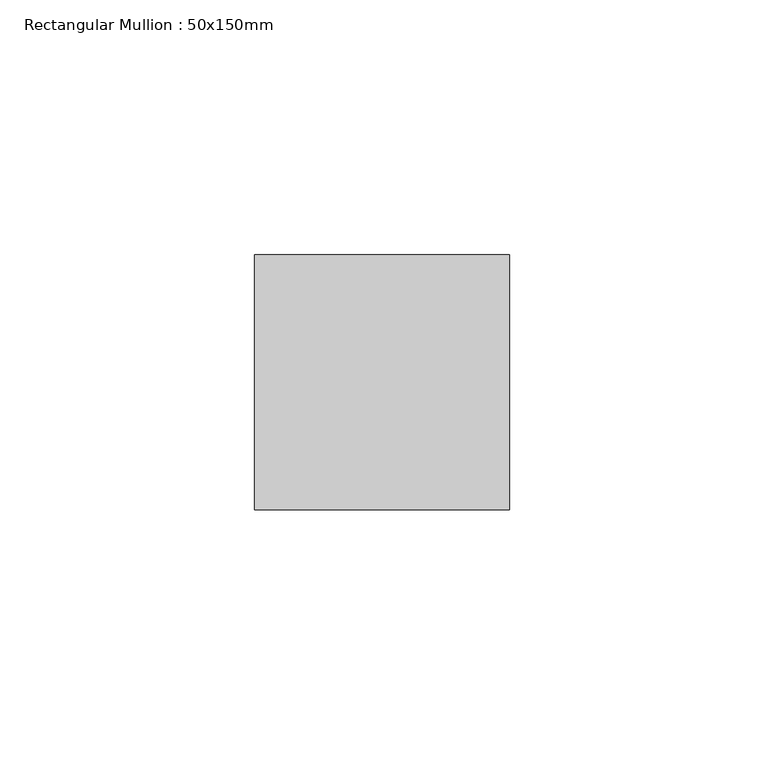
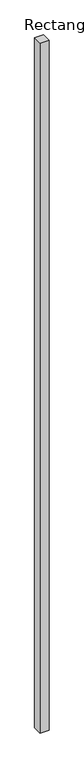
"""IFC4 building model written with IfcOpenShell, lengths in millimetres: member geometry, Rectangular Mullion : 50x150mm."""

from ifc_helpers import new_model, si_unit, frame, origin, place, context, project, spatial, polyline, outline, extrude, source, transform, mapped, element, save


def rectangular_mullion_50x150mm_accdf47b(model_context):
    return source(origin(), model_context, "Body", "SweptSolid", [
        extrude(outline(polyline([(0.0, 25.0), (0.0, -25.0), (-50.0, -25.0), (-50.0, 25.0), (0.0, 25.0)])), frame((0.0, 0.0, -4020.0), z_axis=(0.0, 0.0, 1.0), x_axis=(1.0, 0.0, 0.0)), (0.0, 0.0, 1.0), 4020.0),
    ])


if __name__ == "__main__":
    model = new_model("IFC4")
    model_context = context("Model", 3, world=origin())
    ifc_project = project(units=[si_unit("LENGTHUNIT", "METRE", prefix="MILLI")], contexts=[model_context])
    site = spatial("IfcSite", under=ifc_project)
    building = spatial("IfcBuilding", under=site)
    placement = place(None, origin())
    rectangular_mullion_50x150mm_shape = rectangular_mullion_50x150mm_accdf47b(model_context)
    element("IfcMember", 1, ObjectType="Rectangular Mullion : 50x150mm", at=placement, inside=building, context=model_context, shape_type="MappedRepresentation", body=[
        mapped(rectangular_mullion_50x150mm_shape, transform((0.0, 0.0, 0.0), x_axis=(1.0, 0.0, 0.0), y_axis=(0.0, 1.0, 0.0), z_axis=(0.0, 0.0, 1.0))),
    ])
    save(model, "model.ifc")
